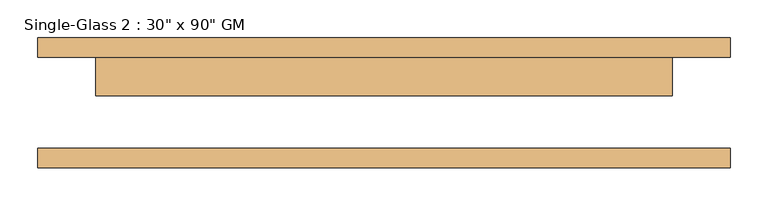
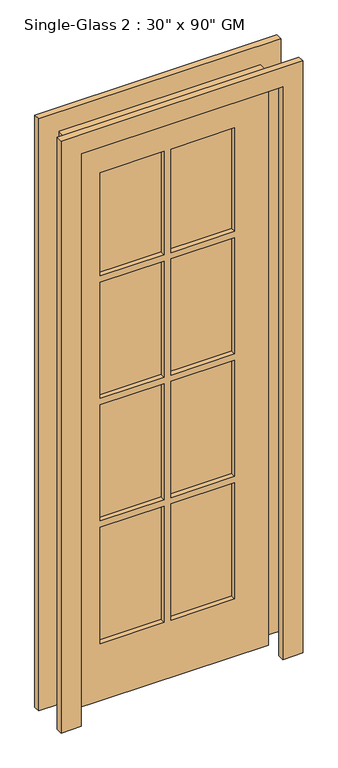
"""IFC4 building model written with IfcOpenShell, lengths in millimetres: door geometry."""

from ifc_helpers import new_model, si_unit, frame, origin, place, context, project, spatial, polyline, outline, extrude, source, transform, mapped, element, save


def door_f6353a88(model_context):
    return source(origin(), model_context, "Body", "SweptSolid", [
        extrude(outline(polyline([(2362.2, 482.6), (2362.2, -431.8), (0.0, -431.8), (0.0, -355.6), (2286.0, -355.6), (2286.0, 406.4), (0.0, 406.4), (0.0, 482.6), (2362.2, 482.6)])), frame((0.0, -85.725, 0.0), z_axis=(0.0, 1.0, 0.0), x_axis=(0.0, 0.0, 1.0)), (0.0, 0.0, 1.0), 25.4),
        extrude(outline(polyline([(2362.2, -431.8), (0.0, -431.8), (0.0, -355.6), (2286.0, -355.6), (2286.0, 406.4), (0.0, 406.4), (0.0, 482.6), (2362.2, 482.6), (2362.2, -431.8)])), frame((0.0, 60.325, 0.0), z_axis=(0.0, 1.0, 0.0), x_axis=(0.0, 0.0, 1.0)), (0.0, 0.0, 1.0), 25.4),
        extrude(outline(polyline([(2286.0, 406.4), (2286.0, -355.6), (0.0, -355.6), (0.0, 406.4), (2286.0, 406.4)]), holes=[polyline([(2108.2, 12.7), (1695.45, 12.7), (1695.45, -228.6), (2108.2, -228.6), (2108.2, 12.7)]), polyline([(2108.2, 279.4), (1695.45, 279.4), (1695.45, 38.1), (2108.2, 38.1), (2108.2, 279.4)]), polyline([(1670.05, 12.7), (1206.5, 12.7), (1206.5, -228.6), (1670.05, -228.6), (1670.05, 12.7)]), polyline([(1670.05, 279.4), (1206.5, 279.4), (1206.5, 38.1), (1670.05, 38.1), (1670.05, 279.4)]), polyline([(1181.1, 12.7), (717.55, 12.7), (717.55, -228.6), (1181.1, -228.6), (1181.1, 12.7)]), polyline([(1181.1, 279.4), (717.55, 279.4), (717.55, 38.1), (1181.1, 38.1), (1181.1, 279.4)]), polyline([(692.15, 12.7), (228.6, 12.7), (228.6, -228.6), (692.15, -228.6), (692.15, 12.7)]), polyline([(692.15, 279.4), (228.6, 279.4), (228.6, 38.1), (692.15, 38.1), (692.15, 279.4)])]), frame((0.0, 9.525, 0.0), z_axis=(0.0, 1.0, 0.0), x_axis=(0.0, 0.0, 1.0)), (0.0, 0.0, 1.0), 50.8),
        extrude(outline(polyline([(12.7, 28.575), (-228.6, 28.575), (-228.6, 41.275), (12.7, 41.275), (12.7, 28.575)])), frame((0.0, 0.0, 1695.45), z_axis=(0.0, 0.0, 1.0), x_axis=(1.0, 0.0, 0.0)), (0.0, 0.0, 1.0), 412.75),
        extrude(outline(polyline([(279.4, 28.575), (38.1, 28.575), (38.1, 41.275), (279.4, 41.275), (279.4, 28.575)])), frame((0.0, 0.0, 1695.45), z_axis=(0.0, 0.0, 1.0), x_axis=(1.0, 0.0, 0.0)), (0.0, 0.0, 1.0), 412.75),
        extrude(outline(polyline([(279.4, 28.575), (38.1, 28.575), (38.1, 41.275), (279.4, 41.275), (279.4, 28.575)])), frame((0.0, 0.0, 1206.5), z_axis=(0.0, 0.0, 1.0), x_axis=(1.0, 0.0, 0.0)), (0.0, 0.0, 1.0), 463.55),
        extrude(outline(polyline([(12.7, 28.575), (-228.6, 28.575), (-228.6, 41.275), (12.7, 41.275), (12.7, 28.575)])), frame((0.0, 0.0, 1206.5), z_axis=(0.0, 0.0, 1.0), x_axis=(1.0, 0.0, 0.0)), (0.0, 0.0, 1.0), 463.55),
        extrude(outline(polyline([(12.7, 28.575), (-228.6, 28.575), (-228.6, 41.275), (12.7, 41.275), (12.7, 28.575)])), frame((0.0, 0.0, 717.55), z_axis=(0.0, 0.0, 1.0), x_axis=(1.0, 0.0, 0.0)), (0.0, 0.0, 1.0), 463.55),
        extrude(outline(polyline([(279.4, 28.575), (38.1, 28.575), (38.1, 41.275), (279.4, 41.275), (279.4, 28.575)])), frame((0.0, 0.0, 717.55), z_axis=(0.0, 0.0, 1.0), x_axis=(1.0, 0.0, 0.0)), (0.0, 0.0, 1.0), 463.55),
        extrude(outline(polyline([(279.4, 28.575), (38.1, 28.575), (38.1, 41.275), (279.4, 41.275), (279.4, 28.575)])), frame((0.0, 0.0, 228.6), z_axis=(0.0, 0.0, 1.0), x_axis=(1.0, 0.0, 0.0)), (0.0, 0.0, 1.0), 463.55),
        extrude(outline(polyline([(12.7, 28.575), (-228.6, 28.575), (-228.6, 41.275), (12.7, 41.275), (12.7, 28.575)])), frame((0.0, 0.0, 228.6), z_axis=(0.0, 0.0, 1.0), x_axis=(1.0, 0.0, 0.0)), (0.0, 0.0, 1.0), 463.55),
    ])


if __name__ == "__main__":
    model = new_model("IFC4")
    model_context = context("Model", 3, world=origin())
    ifc_project = project(units=[si_unit("LENGTHUNIT", "METRE", prefix="MILLI")], contexts=[model_context])
    site = spatial("IfcSite", under=ifc_project)
    building = spatial("IfcBuilding", under=site)
    placement = place(None, origin())
    door_shape = door_f6353a88(model_context)
    element("IfcDoor", 1, ObjectType="Single-Glass 2 : 30\" x 90\" GM", at=placement, inside=building, context=model_context, shape_type="MappedRepresentation", body=[
        mapped(door_shape, transform((0.0, 0.0, 0.0), x_axis=(1.0, 0.0, 0.0), y_axis=(0.0, 1.0, 0.0), z_axis=(0.0, 0.0, 1.0))),
    ])
    save(model, "model.ifc")
